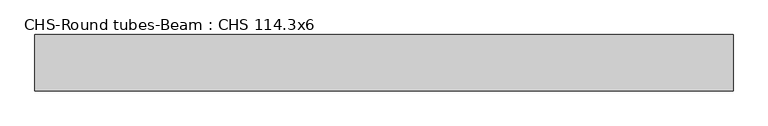
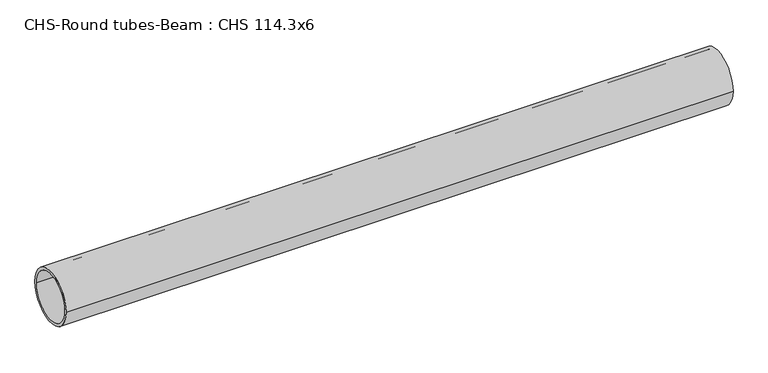
"""IFC4 building model written with IfcOpenShell, lengths in millimetres: beam geometry, CHS-Round tubes-Beam : CHS 114.3x6."""

import ifcopenshell
import ifcopenshell.guid

model = None  # the IFC model being written
_history = None  # IfcOwnerHistory: only IFC2X3 demands one
_inside = {}  # id of a spatial element -> (the spatial element, [elements in it])
_under = {}  # id of a project, library or spatial element -> (it, [spatial elements below it])
_declared = {}  # id of a project -> (the project, [libraries it declares])
_typed = {}  # id of a type object -> (the type object, [elements of that type])
_made_of = {}  # id of a material, layer set ... -> (it, [elements and type objects made of it])


def new_model(schema):
    """Start an empty IFC model of exactly this schema.

    Asked for "IFC4X3", IfcOpenShell would pick the latest addendum, in which some entities
    have other attributes; the version numbers below select the first issue.
    IFC2X3 requires an IfcOwnerHistory on every rooted entity: one is made here for all.
    """
    global model, _history
    if schema == "IFC4X3":
        model = ifcopenshell.file(schema_version=(4, 3, 0, 0))
    else:
        model = ifcopenshell.file(schema=schema)
    _inside.clear()
    _under.clear()
    _declared.clear()
    _typed.clear()
    _made_of.clear()
    _history = None
    if model.schema == "IFC2X3":
        org = make("IfcOrganization", Name="unknown")
        user = make(
            "IfcPersonAndOrganization",
            ThePerson=make("IfcPerson", FamilyName="unknown"),
            TheOrganization=org,
        )
        app = make(
            "IfcApplication",
            ApplicationDeveloper=org,
            Version="unknown",
            ApplicationFullName="unknown",
            ApplicationIdentifier="unknown",
        )
        _history = make(
            "IfcOwnerHistory",
            OwningUser=user,
            OwningApplication=app,
            ChangeAction="ADDED",
            CreationDate=0,
        )
    return model


def make(cls, **values):
    """One entity of the class cls with the attributes given. An attribute that is None is left unset."""
    return model.create_entity(
        cls, **{name: value for name, value in values.items() if value is not None}
    )


def rooted(cls, **values):
    """An entity with a GlobalId (a new one), such as an element, a storey or a relation."""
    return make(cls, GlobalId=ifcopenshell.guid.new(), OwnerHistory=_history, **values)


def si_unit(unit_type, name, prefix=None):
    """IfcSIUnit, for example si_unit("LENGTHUNIT", "METRE", prefix="MILLI")."""
    return make("IfcSIUnit", UnitType=unit_type, Prefix=prefix, Name=name)


def assignment(units):
    """IfcUnitAssignment: the units of a project."""
    return None if units is None else make("IfcUnitAssignment", Units=units)


def point(xyz):
    """IfcCartesianPoint."""
    return None if xyz is None else make("IfcCartesianPoint", Coordinates=xyz)


def direction(xyz):
    """IfcDirection."""
    return None if xyz is None else make("IfcDirection", DirectionRatios=xyz)


def frame(location, z_axis=None, x_axis=None):
    """IfcAxis2Placement3D, a coordinate frame: its origin and axes. An axis left out is left unset."""
    return make(
        "IfcAxis2Placement3D",
        Location=point(location),
        Axis=direction(z_axis),
        RefDirection=direction(x_axis),
    )


def frame_2d(location, x_axis=None):
    """IfcAxis2Placement2D, a coordinate frame in the plane: its origin and x axis."""
    return make(
        "IfcAxis2Placement2D", Location=point(location), RefDirection=direction(x_axis)
    )


def origin():
    """The frame at (0, 0, 0) with its axes left unset."""
    return frame((0.0, 0.0, 0.0))


def origin_2d():
    """The frame at (0, 0) in the plane with its x axis left unset."""
    return frame_2d((0.0, 0.0))


def place(relative_to, where):
    """IfcLocalPlacement: puts the frame where relative to a parent placement (None: the world)."""
    return make(
        "IfcLocalPlacement", PlacementRelTo=relative_to, RelativePlacement=where
    )


def context(
    kind, dimensions, precision=None, world=None, true_north=None, identifier=None
):
    """IfcGeometricRepresentationContext, for example the 3D "Model" context."""
    return make(
        "IfcGeometricRepresentationContext",
        ContextIdentifier=identifier,
        ContextType=kind,
        CoordinateSpaceDimension=dimensions,
        Precision=precision,
        WorldCoordinateSystem=world,
        TrueNorth=true_north,
    )


def project(units=None, contexts=None):
    """IfcProject with its units and contexts."""
    return rooted(
        "IfcProject",
        Name="project",
        RepresentationContexts=contexts,
        UnitsInContext=assignment(units),
    )


def spatial(cls, under=None, at=None, **own):
    """A site, building, storey or space (cls), placed at a placement, below another one or the project."""
    s = rooted(cls, ObjectPlacement=at, **own)
    if under is not None:
        _under.setdefault(under.id(), (under, []))[1].append(s)
    return s


def circle_curve(where, radius):
    """IfcCircle in the frame where."""
    return make("IfcCircle", Position=where, Radius=radius)


def trimmed(basis, trim1, trim2, sense, master):
    """IfcTrimmedCurve: the piece of a basis curve between two trims."""
    return make(
        "IfcTrimmedCurve",
        BasisCurve=basis,
        Trim1=trim1,
        Trim2=trim2,
        SenseAgreement=sense,
        MasterRepresentation=master,
    )


def segment(curve, same_sense, transition):
    """IfcCompositeCurveSegment."""
    return make(
        "IfcCompositeCurveSegment",
        Transition=transition,
        SameSense=same_sense,
        ParentCurve=curve,
    )


def composite_curve(segments, self_intersect=None):
    """IfcCompositeCurve: segments joined end to end."""
    return make("IfcCompositeCurve", Segments=segments, SelfIntersect=self_intersect)


def outline(outer, holes=None, kind="AREA"):
    """IfcArbitraryClosedProfileDef: a profile drawn as a closed curve; with holes, ...WithVoids."""
    if holes is None:
        return make("IfcArbitraryClosedProfileDef", ProfileType=kind, OuterCurve=outer)
    return make(
        "IfcArbitraryProfileDefWithVoids",
        ProfileType=kind,
        OuterCurve=outer,
        InnerCurves=holes,
    )


def extrude(swept, where, along, depth):
    """IfcExtrudedAreaSolid: the profile swept, set in the frame where, extruded along a direction by depth."""
    return make(
        "IfcExtrudedAreaSolid",
        SweptArea=swept,
        Position=where,
        ExtrudedDirection=direction(along),
        Depth=depth,
    )


def shape(context_of_items, identifier, shape_type, items):
    """IfcShapeRepresentation: the items that make up one representation, for example the "Body"."""
    return make(
        "IfcShapeRepresentation",
        ContextOfItems=context_of_items,
        RepresentationIdentifier=identifier,
        RepresentationType=shape_type,
        Items=items,
    )


def source(mapping_origin, context_of_items, identifier, shape_type, items):
    """IfcRepresentationMap: a shape defined once, which mapped items show again and again."""
    return make(
        "IfcRepresentationMap",
        MappingOrigin=mapping_origin,
        MappedRepresentation=shape(context_of_items, identifier, shape_type, items),
    )


def transform(
    local_origin,
    x_axis=None,
    y_axis=None,
    z_axis=None,
    scale=None,
    scale2=None,
    scale3=None,
    uniform=True,
):
    """IfcCartesianTransformationOperator3D, or its non-uniform kind. x_axis, y_axis, z_axis: its Axis1, 2, 3."""
    if uniform:
        return make(
            "IfcCartesianTransformationOperator3D",
            Axis1=direction(x_axis),
            Axis2=direction(y_axis),
            LocalOrigin=point(local_origin),
            Scale=scale,
            Axis3=direction(z_axis),
        )
    return make(
        "IfcCartesianTransformationOperator3DnonUniform",
        Axis1=direction(x_axis),
        Axis2=direction(y_axis),
        LocalOrigin=point(local_origin),
        Scale=scale,
        Axis3=direction(z_axis),
        Scale2=scale2,
        Scale3=scale3,
    )


def mapped(mapping_source, mapping_target):
    """IfcMappedItem: shows the shape of a source again, moved by a transform."""
    return make(
        "IfcMappedItem", MappingSource=mapping_source, MappingTarget=mapping_target
    )


def made_of(thing, what):
    """Note that an element or type object is made of a material, layer set ...; save() writes the relation."""
    if what is not None:
        _made_of.setdefault(what.id(), (what, []))[1].append(thing)
    return thing


def element(
    cls,
    number,
    at=None,
    inside=None,
    cuts=None,
    type_object=None,
    material=None,
    context=None,
    identifier="Body",
    shape_type=None,
    held_by="IfcProductDefinitionShape",
    body=None,
    shapes=None,
    **own,
):
    """One element of the class cls, such as IfcWall. Its Tag is "e" and its number.

    at: its placement. inside: the storey or other place that contains it. cuts: it is an
    opening in that element (IfcRelVoidsElement). A single representation is given by context,
    identifier, shape_type and body (its items); several are given by shapes. held_by: the class
    of the entity that holds the representations. save() writes the other relations.
    """
    e = rooted(cls, Tag="e%d" % number, ObjectPlacement=at, **own)
    if body is not None:
        shapes = [shape(context, identifier, shape_type, body)]
    if shapes is not None:
        e.Representation = make(held_by, Representations=shapes)
    if inside is not None:
        _inside.setdefault(inside.id(), (inside, []))[1].append(e)
    if cuts is not None:
        rooted(
            "IfcRelVoidsElement", RelatingBuildingElement=cuts, RelatedOpeningElement=e
        )
    if type_object is not None:
        _typed.setdefault(type_object.id(), (type_object, []))[1].append(e)
    return made_of(e, material)


def aggregate(whole, parts):
    """IfcRelAggregates: a whole, such as a stair, and the parts it consists of."""
    return rooted("IfcRelAggregates", RelatingObject=whole, RelatedObjects=parts)


def save(model, path):
    """Write the relations noted so far, then the file.

    IfcRelAggregates (storeys below a building ...), IfcRelContainedInSpatialStructure (elements
    in a storey), IfcRelDefinesByType, IfcRelAssociatesMaterial and IfcRelDeclares: one each for
    every whole, place, type object, material and project.
    """
    for whole, parts in _under.values():
        aggregate(whole, parts)
    for where, things in _inside.values():
        rooted(
            "IfcRelContainedInSpatialStructure",
            RelatedElements=things,
            RelatingStructure=where,
        )
    for kind, things in _typed.values():
        rooted("IfcRelDefinesByType", RelatedObjects=things, RelatingType=kind)
    for what, things in _made_of.values():
        rooted("IfcRelAssociatesMaterial", RelatedObjects=things, RelatingMaterial=what)
    for by, libraries in _declared.values():
        rooted("IfcRelDeclares", RelatingContext=by, RelatedDefinitions=libraries)
    model.write(path)


def chs_round_tubes_beam_chs_114_3x6_2953d5ad(model_context):
    return source(origin(), model_context, "Body", "SweptSolid", [
        extrude(outline(composite_curve([segment(trimmed(circle_curve(origin_2d(), 57.15), [point((57.15, 0.0))], [point((-57.15, 0.0))], False, "CARTESIAN"), True, "CONTINUOUS"), segment(trimmed(circle_curve(origin_2d(), 57.15), [point((-57.15, 0.0))], [point((57.15, 0.0))], False, "CARTESIAN"), True, "CONTINUOUS")], self_intersect=False), holes=[composite_curve([segment(trimmed(circle_curve(origin_2d(), 51.15), [point((51.15, 0.0))], [point((-51.15, 0.0))], True, "CARTESIAN"), True, "CONTINUOUS"), segment(trimmed(circle_curve(origin_2d(), 51.15), [point((-51.15, 0.0))], [point((51.15, 0.0))], True, "CARTESIAN"), True, "CONTINUOUS")], self_intersect=False)]), frame((-702.9230994, 0.0, 0.0), z_axis=(1.0, 0.0, 0.0), x_axis=(0.0, 1.0, 0.0)), (0.0, 0.0, 1.0), 1412.2888563),
    ])


if __name__ == "__main__":
    model = new_model("IFC4")
    model_context = context("Model", 3, world=origin())
    ifc_project = project(units=[si_unit("LENGTHUNIT", "METRE", prefix="MILLI")], contexts=[model_context])
    site = spatial("IfcSite", under=ifc_project)
    building = spatial("IfcBuilding", under=site)
    placement = place(None, origin())
    chs_round_tubes_beam_chs_114_3x6_shape = chs_round_tubes_beam_chs_114_3x6_2953d5ad(model_context)
    element("IfcBeam", 1, ObjectType="CHS-Round tubes-Beam : CHS 114.3x6", at=placement, inside=building, context=model_context, shape_type="MappedRepresentation", body=[
        mapped(chs_round_tubes_beam_chs_114_3x6_shape, transform((0.0, 0.0, 0.0), x_axis=(1.0, 0.0, 0.0), y_axis=(0.0, 1.0, 0.0), z_axis=(0.0, 0.0, 1.0))),
    ])
    save(model, "model.ifc")
